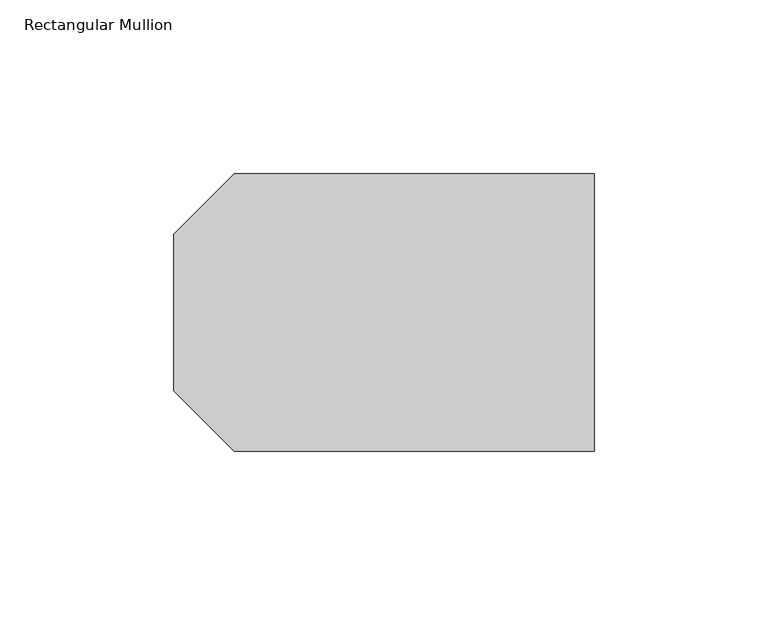
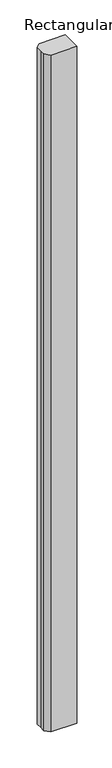
"""IFC4 building model written with IfcOpenShell, lengths in millimetres: member geometry, Rectangular Mullion."""

from ifc_helpers import new_model, si_unit, frame, origin, place, context, project, spatial, polyline, outline, extrude, source, transform, mapped, element, save


def rectangular_mullion_956eba57(model_context):
    return source(origin(), model_context, "Body", "SweptSolid", [
        extrude(outline(polyline([(-121.0, 22.5), (-103.597438, 39.902562), (0.0, 39.902562), (0.0, -39.902562), (-103.597438, -39.902562), (-121.0, -22.5), (-121.0, 0.0), (-121.0, 22.5)])), frame((0.0, 0.0, -2850.0), z_axis=(0.0, 0.0, 1.0), x_axis=(1.0, 0.0, 0.0)), (0.0, 0.0, 1.0), 2850.0),
    ])


if __name__ == "__main__":
    model = new_model("IFC4")
    model_context = context("Model", 3, world=origin())
    ifc_project = project(units=[si_unit("LENGTHUNIT", "METRE", prefix="MILLI")], contexts=[model_context])
    site = spatial("IfcSite", under=ifc_project)
    building = spatial("IfcBuilding", under=site)
    placement = place(None, origin())
    rectangular_mullion_shape = rectangular_mullion_956eba57(model_context)
    element("IfcMember", 1, ObjectType="Rectangular Mullion", at=placement, inside=building, context=model_context, shape_type="MappedRepresentation", body=[
        mapped(rectangular_mullion_shape, transform((0.0, 0.0, 0.0), x_axis=(1.0, 0.0, 0.0), y_axis=(0.0, 1.0, 0.0), z_axis=(0.0, 0.0, 1.0))),
    ])
    save(model, "model.ifc")
